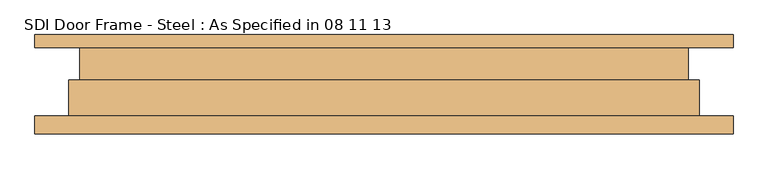
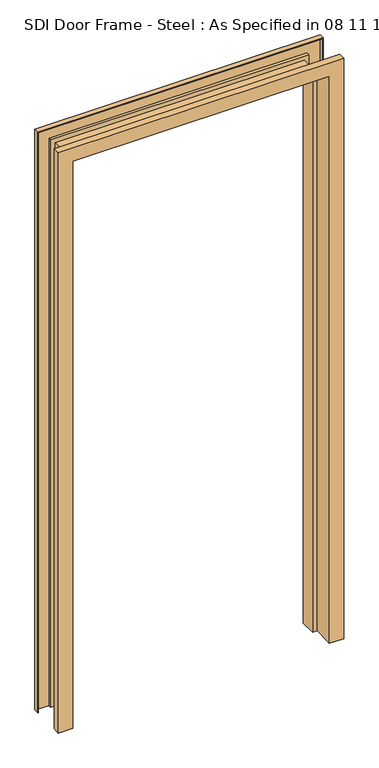
"""IFC4 building model written with IfcOpenShell, lengths in millimetres: door geometry, SDI Door Frame - Steel : As Specified in 08 11 13."""

import ifcopenshell
import ifcopenshell.guid

model = None  # the IFC model being written
_history = None  # IfcOwnerHistory: only IFC2X3 demands one
_inside = {}  # id of a spatial element -> (the spatial element, [elements in it])
_under = {}  # id of a project, library or spatial element -> (it, [spatial elements below it])
_declared = {}  # id of a project -> (the project, [libraries it declares])
_typed = {}  # id of a type object -> (the type object, [elements of that type])
_made_of = {}  # id of a material, layer set ... -> (it, [elements and type objects made of it])


def new_model(schema):
    """Start an empty IFC model of exactly this schema.

    Asked for "IFC4X3", IfcOpenShell would pick the latest addendum, in which some entities
    have other attributes; the version numbers below select the first issue.
    IFC2X3 requires an IfcOwnerHistory on every rooted entity: one is made here for all.
    """
    global model, _history
    if schema == "IFC4X3":
        model = ifcopenshell.file(schema_version=(4, 3, 0, 0))
    else:
        model = ifcopenshell.file(schema=schema)
    _inside.clear()
    _under.clear()
    _declared.clear()
    _typed.clear()
    _made_of.clear()
    _history = None
    if model.schema == "IFC2X3":
        org = make("IfcOrganization", Name="unknown")
        user = make(
            "IfcPersonAndOrganization",
            ThePerson=make("IfcPerson", FamilyName="unknown"),
            TheOrganization=org,
        )
        app = make(
            "IfcApplication",
            ApplicationDeveloper=org,
            Version="unknown",
            ApplicationFullName="unknown",
            ApplicationIdentifier="unknown",
        )
        _history = make(
            "IfcOwnerHistory",
            OwningUser=user,
            OwningApplication=app,
            ChangeAction="ADDED",
            CreationDate=0,
        )
    return model


def make(cls, **values):
    """One entity of the class cls with the attributes given. An attribute that is None is left unset."""
    return model.create_entity(
        cls, **{name: value for name, value in values.items() if value is not None}
    )


def rooted(cls, **values):
    """An entity with a GlobalId (a new one), such as an element, a storey or a relation."""
    return make(cls, GlobalId=ifcopenshell.guid.new(), OwnerHistory=_history, **values)


def si_unit(unit_type, name, prefix=None):
    """IfcSIUnit, for example si_unit("LENGTHUNIT", "METRE", prefix="MILLI")."""
    return make("IfcSIUnit", UnitType=unit_type, Prefix=prefix, Name=name)


def assignment(units):
    """IfcUnitAssignment: the units of a project."""
    return None if units is None else make("IfcUnitAssignment", Units=units)


def point(xyz):
    """IfcCartesianPoint."""
    return None if xyz is None else make("IfcCartesianPoint", Coordinates=xyz)


def direction(xyz):
    """IfcDirection."""
    return None if xyz is None else make("IfcDirection", DirectionRatios=xyz)


def frame(location, z_axis=None, x_axis=None):
    """IfcAxis2Placement3D, a coordinate frame: its origin and axes. An axis left out is left unset."""
    return make(
        "IfcAxis2Placement3D",
        Location=point(location),
        Axis=direction(z_axis),
        RefDirection=direction(x_axis),
    )


def origin():
    """The frame at (0, 0, 0) with its axes left unset."""
    return frame((0.0, 0.0, 0.0))


def place(relative_to, where):
    """IfcLocalPlacement: puts the frame where relative to a parent placement (None: the world)."""
    return make(
        "IfcLocalPlacement", PlacementRelTo=relative_to, RelativePlacement=where
    )


def context(
    kind, dimensions, precision=None, world=None, true_north=None, identifier=None
):
    """IfcGeometricRepresentationContext, for example the 3D "Model" context."""
    return make(
        "IfcGeometricRepresentationContext",
        ContextIdentifier=identifier,
        ContextType=kind,
        CoordinateSpaceDimension=dimensions,
        Precision=precision,
        WorldCoordinateSystem=world,
        TrueNorth=true_north,
    )


def project(units=None, contexts=None):
    """IfcProject with its units and contexts."""
    return rooted(
        "IfcProject",
        Name="project",
        RepresentationContexts=contexts,
        UnitsInContext=assignment(units),
    )


def spatial(cls, under=None, at=None, **own):
    """A site, building, storey or space (cls), placed at a placement, below another one or the project."""
    s = rooted(cls, ObjectPlacement=at, **own)
    if under is not None:
        _under.setdefault(under.id(), (under, []))[1].append(s)
    return s


def faces_of(points, faces, orient=None, outer=None):
    """IfcFace entities. A face is a list of loops; a loop is a list of indices into points, from 0.

    orient and outer hold one flag for each loop. By default every Orientation is true, the
    first loop of a face is its IfcFaceOuterBound and the others are IfcFaceBound.
    """
    made = []
    for i, loops in enumerate(faces):
        bounds = []
        for j, loop in enumerate(loops):
            is_outer = j == 0 if outer is None else outer[i][j]
            bounds.append(
                make(
                    "IfcFaceOuterBound" if is_outer else "IfcFaceBound",
                    Bound=make("IfcPolyLoop", Polygon=[points[k] for k in loop]),
                    Orientation=True if orient is None else orient[i][j],
                )
            )
        made.append(make("IfcFace", Bounds=bounds))
    return made


def faceted_brep(points, faces, orient=None, outer=None, voids=None):
    """IfcFacetedBrep: a solid bounded by flat faces; with voids (closed shells), ...WithVoids."""
    shared = [point(p) for p in points]
    hull = make("IfcClosedShell", CfsFaces=faces_of(shared, faces, orient, outer))
    if voids is None:
        return make("IfcFacetedBrep", Outer=hull)
    return make(
        "IfcFacetedBrepWithVoids",
        Outer=hull,
        Voids=[
            make(cls, CfsFaces=faces_of(shared, fs, o, b)) for cls, fs, o, b in voids
        ],
    )


def shape(context_of_items, identifier, shape_type, items):
    """IfcShapeRepresentation: the items that make up one representation, for example the "Body"."""
    return make(
        "IfcShapeRepresentation",
        ContextOfItems=context_of_items,
        RepresentationIdentifier=identifier,
        RepresentationType=shape_type,
        Items=items,
    )


def source(mapping_origin, context_of_items, identifier, shape_type, items):
    """IfcRepresentationMap: a shape defined once, which mapped items show again and again."""
    return make(
        "IfcRepresentationMap",
        MappingOrigin=mapping_origin,
        MappedRepresentation=shape(context_of_items, identifier, shape_type, items),
    )


def transform(
    local_origin,
    x_axis=None,
    y_axis=None,
    z_axis=None,
    scale=None,
    scale2=None,
    scale3=None,
    uniform=True,
):
    """IfcCartesianTransformationOperator3D, or its non-uniform kind. x_axis, y_axis, z_axis: its Axis1, 2, 3."""
    if uniform:
        return make(
            "IfcCartesianTransformationOperator3D",
            Axis1=direction(x_axis),
            Axis2=direction(y_axis),
            LocalOrigin=point(local_origin),
            Scale=scale,
            Axis3=direction(z_axis),
        )
    return make(
        "IfcCartesianTransformationOperator3DnonUniform",
        Axis1=direction(x_axis),
        Axis2=direction(y_axis),
        LocalOrigin=point(local_origin),
        Scale=scale,
        Axis3=direction(z_axis),
        Scale2=scale2,
        Scale3=scale3,
    )


def mapped(mapping_source, mapping_target):
    """IfcMappedItem: shows the shape of a source again, moved by a transform."""
    return make(
        "IfcMappedItem", MappingSource=mapping_source, MappingTarget=mapping_target
    )


def made_of(thing, what):
    """Note that an element or type object is made of a material, layer set ...; save() writes the relation."""
    if what is not None:
        _made_of.setdefault(what.id(), (what, []))[1].append(thing)
    return thing


def element(
    cls,
    number,
    at=None,
    inside=None,
    cuts=None,
    type_object=None,
    material=None,
    context=None,
    identifier="Body",
    shape_type=None,
    held_by="IfcProductDefinitionShape",
    body=None,
    shapes=None,
    **own,
):
    """One element of the class cls, such as IfcWall. Its Tag is "e" and its number.

    at: its placement. inside: the storey or other place that contains it. cuts: it is an
    opening in that element (IfcRelVoidsElement). A single representation is given by context,
    identifier, shape_type and body (its items); several are given by shapes. held_by: the class
    of the entity that holds the representations. save() writes the other relations.
    """
    e = rooted(cls, Tag="e%d" % number, ObjectPlacement=at, **own)
    if body is not None:
        shapes = [shape(context, identifier, shape_type, body)]
    if shapes is not None:
        e.Representation = make(held_by, Representations=shapes)
    if inside is not None:
        _inside.setdefault(inside.id(), (inside, []))[1].append(e)
    if cuts is not None:
        rooted(
            "IfcRelVoidsElement", RelatingBuildingElement=cuts, RelatedOpeningElement=e
        )
    if type_object is not None:
        _typed.setdefault(type_object.id(), (type_object, []))[1].append(e)
    return made_of(e, material)


def aggregate(whole, parts):
    """IfcRelAggregates: a whole, such as a stair, and the parts it consists of."""
    return rooted("IfcRelAggregates", RelatingObject=whole, RelatedObjects=parts)


def save(model, path):
    """Write the relations noted so far, then the file.

    IfcRelAggregates (storeys below a building ...), IfcRelContainedInSpatialStructure (elements
    in a storey), IfcRelDefinesByType, IfcRelAssociatesMaterial and IfcRelDeclares: one each for
    every whole, place, type object, material and project.
    """
    for whole, parts in _under.values():
        aggregate(whole, parts)
    for where, things in _inside.values():
        rooted(
            "IfcRelContainedInSpatialStructure",
            RelatedElements=things,
            RelatingStructure=where,
        )
    for kind, things in _typed.values():
        rooted("IfcRelDefinesByType", RelatedObjects=things, RelatingType=kind)
    for what, things in _made_of.values():
        rooted("IfcRelAssociatesMaterial", RelatedObjects=things, RelatingMaterial=what)
    for by, libraries in _declared.values():
        rooted("IfcRelDeclares", RelatingContext=by, RelatedDefinitions=libraries)
    model.write(path)


def sdi_door_frame_steel_as_specified_in_08_11_13_5d349bbf(model_context):
    return source(origin(), model_context, "Body", "Brep", [
        faceted_brep([(20980.2892185, 10802.7958248, 0.0), (20980.2892185, 10828.6858114, 0.0), (20981.9759373, 10828.6858114, 0.0), (20981.9759373, 10804.4825436, 0.0), (21029.4024998, 10804.4825436, 0.0), (21029.4024998, 10881.1725301, 0.0), (21045.2774998, 10881.1725301, 0.0), (21045.2774998, 10934.9490926, 0.0), (21029.4024998, 10934.9490926, 0.0), (21029.4024998, 10945.5591061, 0.0), (20981.9759373, 10945.5591061, 0.0), (20981.9759373, 10928.6858114, 0.0), (20980.2892185, 10928.6858114, 0.0), (20980.2892185, 10947.2458248, 0.0), (21031.0892185, 10947.2458248, 0.0), (21031.0892185, 10936.6358114, 0.0), (21046.9642185, 10936.6358114, 0.0), (21046.9642185, 10879.4858114, 0.0), (21031.0892185, 10879.4858114, 0.0), (21031.0892185, 10802.7958248, 0.0), (21996.2892185, 10802.7958248, 0.0), (21945.4892185, 10802.7958248, 0.0), (21945.4892185, 10879.4858114, 0.0), (21929.6142185, 10879.4858114, 0.0), (21929.6142185, 10936.6358114, 0.0), (21945.4892185, 10936.6358114, 0.0), (21945.4892185, 10947.2458248, 0.0), (21996.2892185, 10947.2458248, 0.0), (21996.2892185, 10928.6858114, 0.0), (21994.6024998, 10928.6858114, 0.0), (21994.6024998, 10945.5591061, 0.0), (21947.1759373, 10945.5591061, 0.0), (21947.1759373, 10934.9490926, 0.0), (21931.3009373, 10934.9490926, 0.0), (21931.3009373, 10881.1725301, 0.0), (21947.1759373, 10881.1725301, 0.0), (21947.1759373, 10804.4825436, 0.0), (21994.6024998, 10804.4825436, 0.0), (21994.6024998, 10828.6858114, 0.0), (21996.2892185, 10828.6858114, 0.0), (20980.2892185, 10802.7958248, 2184.4), (20980.2892185, 10828.6858114, 2184.4), (21996.2892185, 10828.6858114, 2184.4), (21994.6024998, 10828.6858114, 2182.7132812), (20981.9759373, 10828.6858114, 2182.7132812), (20981.9759373, 10804.4825436, 2182.7132812), (21994.6024998, 10804.4825436, 2182.7132812), (21947.1759373, 10804.4825436, 2135.2867187), (21029.4024998, 10804.4825436, 2135.2867187), (21029.4024998, 10881.1725301, 2135.2867187), (21947.1759373, 10881.1725301, 2135.2867187), (21931.3009373, 10881.1725301, 2119.4117187), (21045.2774998, 10881.1725301, 2119.4117187), (21045.2774998, 10934.9490926, 2119.4117187), (21931.3009373, 10934.9490926, 2119.4117187), (21947.1759373, 10934.9490926, 2135.2867187), (21029.4024998, 10934.9490926, 2135.2867187), (21029.4024998, 10945.5591061, 2135.2867187), (21947.1759373, 10945.5591061, 2135.2867187), (21994.6024998, 10945.5591061, 2182.7132812), (20981.9759373, 10945.5591061, 2182.7132812), (20981.9759373, 10928.6858114, 2182.7132812), (21994.6024998, 10928.6858114, 2182.7132812), (21996.2892185, 10928.6858114, 2184.4), (20980.2892185, 10928.6858114, 2184.4), (20980.2892185, 10947.2458248, 2184.4), (21996.2892185, 10947.2458248, 2184.4), (21945.4892185, 10947.2458248, 2133.6), (21031.0892185, 10947.2458248, 2133.6), (21031.0892185, 10936.6358114, 2133.6), (21945.4892185, 10936.6358114, 2133.6), (21929.6142185, 10936.6358114, 2117.725), (21046.9642185, 10936.6358114, 2117.725), (21046.9642185, 10879.4858114, 2117.725), (21929.6142185, 10879.4858114, 2117.725), (21945.4892185, 10879.4858114, 2133.6), (21031.0892185, 10879.4858114, 2133.6), (21031.0892185, 10802.7958248, 2133.6), (21945.4892185, 10802.7958248, 2133.6), (21996.2892185, 10802.7958248, 2184.4)], [[[0, 1, 2, 3, 4, 5, 6, 7, 8, 9, 10, 11, 12, 13, 14, 15, 16, 17, 18, 19]], [[20, 21, 22, 23, 24, 25, 26, 27, 28, 29, 30, 31, 32, 33, 34, 35, 36, 37, 38, 39]], [[1, 0, 40, 41]], [[2, 1, 41, 42, 39, 38, 43, 44]], [[3, 2, 44, 45]], [[4, 3, 45, 46, 37, 36, 47, 48]], [[5, 4, 48, 49]], [[6, 5, 49, 50, 35, 34, 51, 52]], [[7, 6, 52, 53]], [[8, 7, 53, 54, 33, 32, 55, 56]], [[9, 8, 56, 57]], [[10, 9, 57, 58, 31, 30, 59, 60]], [[11, 10, 60, 61]], [[12, 11, 61, 62, 29, 28, 63, 64]], [[13, 12, 64, 65]], [[14, 13, 65, 66, 27, 26, 67, 68]], [[15, 14, 68, 69]], [[16, 15, 69, 70, 25, 24, 71, 72]], [[17, 16, 72, 73]], [[18, 17, 73, 74, 23, 22, 75, 76]], [[19, 18, 76, 77]], [[0, 19, 77, 78, 21, 20, 79, 40]], [[42, 79, 20, 39]], [[46, 43, 38, 37]], [[50, 47, 36, 35]], [[54, 51, 34, 33]], [[58, 55, 32, 31]], [[62, 59, 30, 29]], [[66, 63, 28, 27]], [[70, 67, 26, 25]], [[74, 71, 24, 23]], [[78, 75, 22, 21]], [[41, 40, 79, 42]], [[45, 44, 43, 46]], [[49, 48, 47, 50]], [[53, 52, 51, 54]], [[57, 56, 55, 58]], [[61, 60, 59, 62]], [[65, 64, 63, 66]], [[69, 68, 67, 70]], [[73, 72, 71, 74]], [[77, 76, 75, 78]]]),
    ])


if __name__ == "__main__":
    model = new_model("IFC4")
    model_context = context("Model", 3, world=origin())
    ifc_project = project(units=[si_unit("LENGTHUNIT", "METRE", prefix="MILLI")], contexts=[model_context])
    site = spatial("IfcSite", under=ifc_project)
    building = spatial("IfcBuilding", under=site)
    placement = place(None, origin())
    sdi_door_frame_steel_as_specified_in_08_11_13_shape = sdi_door_frame_steel_as_specified_in_08_11_13_5d349bbf(model_context)
    element("IfcDoor", 1, ObjectType="SDI Door Frame - Steel : As Specified in 08 11 13", at=placement, inside=building, context=model_context, shape_type="MappedRepresentation", body=[
        mapped(sdi_door_frame_steel_as_specified_in_08_11_13_shape, transform((0.0, 0.0, 0.0), x_axis=(1.0, 0.0, 0.0), y_axis=(0.0, 1.0, 0.0), z_axis=(0.0, 0.0, 1.0))),
    ])
    save(model, "model.ifc")
